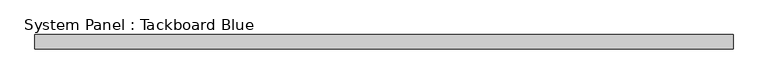
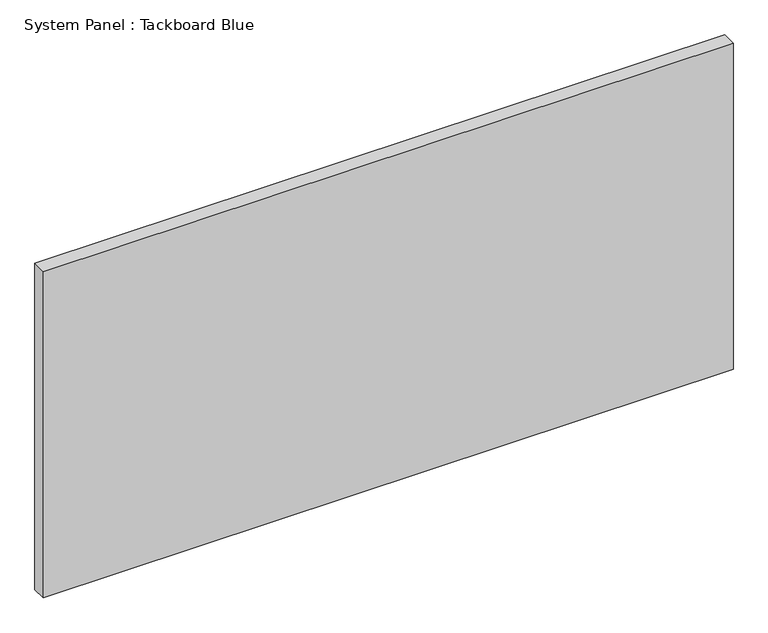
"""IFC4 building model written with IfcOpenShell, lengths in millimetres: plate geometry, System Panel : Tackboard Blue."""

from ifc_helpers import new_model, si_unit, origin, origin_with_axes, place, context, project, spatial, polyline, outline, extrude, source, transform, mapped, element, save


def system_panel_tackboard_blue_e6cd1cce(model_context):
    return source(origin(), model_context, "Body", "SweptSolid", [
        extrude(outline(polyline([(609.6, -25.4), (-609.6, -25.4), (-609.6, 0.0), (609.6, 0.0), (609.6, -25.4)])), origin_with_axes(), (0.0, 0.0, 1.0), 609.6),
    ])


if __name__ == "__main__":
    model = new_model("IFC4")
    model_context = context("Model", 3, world=origin())
    ifc_project = project(units=[si_unit("LENGTHUNIT", "METRE", prefix="MILLI")], contexts=[model_context])
    site = spatial("IfcSite", under=ifc_project)
    building = spatial("IfcBuilding", under=site)
    placement = place(None, origin())
    system_panel_tackboard_blue_shape = system_panel_tackboard_blue_e6cd1cce(model_context)
    element("IfcPlate", 1, ObjectType="System Panel : Tackboard Blue", at=placement, inside=building, context=model_context, shape_type="MappedRepresentation", body=[
        mapped(system_panel_tackboard_blue_shape, transform((0.0, 0.0, 0.0), x_axis=(1.0, 0.0, 0.0), y_axis=(0.0, 1.0, 0.0), z_axis=(0.0, 0.0, 1.0))),
    ])
    save(model, "model.ifc")
